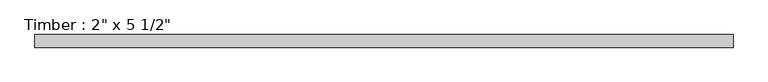
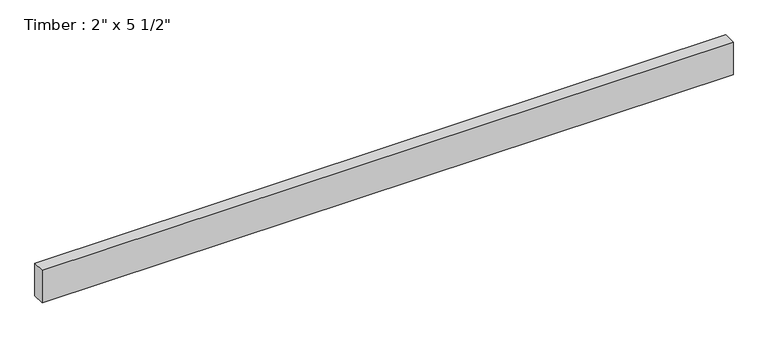
"""IFC4 building model written with IfcOpenShell, lengths in millimetres: beam geometry."""

import ifcopenshell
import ifcopenshell.guid

model = None  # the IFC model being written
_history = None  # IfcOwnerHistory: only IFC2X3 demands one
_inside = {}  # id of a spatial element -> (the spatial element, [elements in it])
_under = {}  # id of a project, library or spatial element -> (it, [spatial elements below it])
_declared = {}  # id of a project -> (the project, [libraries it declares])
_typed = {}  # id of a type object -> (the type object, [elements of that type])
_made_of = {}  # id of a material, layer set ... -> (it, [elements and type objects made of it])


def new_model(schema):
    """Start an empty IFC model of exactly this schema.

    Asked for "IFC4X3", IfcOpenShell would pick the latest addendum, in which some entities
    have other attributes; the version numbers below select the first issue.
    IFC2X3 requires an IfcOwnerHistory on every rooted entity: one is made here for all.
    """
    global model, _history
    if schema == "IFC4X3":
        model = ifcopenshell.file(schema_version=(4, 3, 0, 0))
    else:
        model = ifcopenshell.file(schema=schema)
    _inside.clear()
    _under.clear()
    _declared.clear()
    _typed.clear()
    _made_of.clear()
    _history = None
    if model.schema == "IFC2X3":
        org = make("IfcOrganization", Name="unknown")
        user = make(
            "IfcPersonAndOrganization",
            ThePerson=make("IfcPerson", FamilyName="unknown"),
            TheOrganization=org,
        )
        app = make(
            "IfcApplication",
            ApplicationDeveloper=org,
            Version="unknown",
            ApplicationFullName="unknown",
            ApplicationIdentifier="unknown",
        )
        _history = make(
            "IfcOwnerHistory",
            OwningUser=user,
            OwningApplication=app,
            ChangeAction="ADDED",
            CreationDate=0,
        )
    return model


def make(cls, **values):
    """One entity of the class cls with the attributes given. An attribute that is None is left unset."""
    return model.create_entity(
        cls, **{name: value for name, value in values.items() if value is not None}
    )


def rooted(cls, **values):
    """An entity with a GlobalId (a new one), such as an element, a storey or a relation."""
    return make(cls, GlobalId=ifcopenshell.guid.new(), OwnerHistory=_history, **values)


def si_unit(unit_type, name, prefix=None):
    """IfcSIUnit, for example si_unit("LENGTHUNIT", "METRE", prefix="MILLI")."""
    return make("IfcSIUnit", UnitType=unit_type, Prefix=prefix, Name=name)


def assignment(units):
    """IfcUnitAssignment: the units of a project."""
    return None if units is None else make("IfcUnitAssignment", Units=units)


def point(xyz):
    """IfcCartesianPoint."""
    return None if xyz is None else make("IfcCartesianPoint", Coordinates=xyz)


def direction(xyz):
    """IfcDirection."""
    return None if xyz is None else make("IfcDirection", DirectionRatios=xyz)


def frame(location, z_axis=None, x_axis=None):
    """IfcAxis2Placement3D, a coordinate frame: its origin and axes. An axis left out is left unset."""
    return make(
        "IfcAxis2Placement3D",
        Location=point(location),
        Axis=direction(z_axis),
        RefDirection=direction(x_axis),
    )


def origin():
    """The frame at (0, 0, 0) with its axes left unset."""
    return frame((0.0, 0.0, 0.0))


def place(relative_to, where):
    """IfcLocalPlacement: puts the frame where relative to a parent placement (None: the world)."""
    return make(
        "IfcLocalPlacement", PlacementRelTo=relative_to, RelativePlacement=where
    )


def context(
    kind, dimensions, precision=None, world=None, true_north=None, identifier=None
):
    """IfcGeometricRepresentationContext, for example the 3D "Model" context."""
    return make(
        "IfcGeometricRepresentationContext",
        ContextIdentifier=identifier,
        ContextType=kind,
        CoordinateSpaceDimension=dimensions,
        Precision=precision,
        WorldCoordinateSystem=world,
        TrueNorth=true_north,
    )


def project(units=None, contexts=None):
    """IfcProject with its units and contexts."""
    return rooted(
        "IfcProject",
        Name="project",
        RepresentationContexts=contexts,
        UnitsInContext=assignment(units),
    )


def spatial(cls, under=None, at=None, **own):
    """A site, building, storey or space (cls), placed at a placement, below another one or the project."""
    s = rooted(cls, ObjectPlacement=at, **own)
    if under is not None:
        _under.setdefault(under.id(), (under, []))[1].append(s)
    return s


def polyline(points):
    """IfcPolyline through the points."""
    return make("IfcPolyline", Points=[point(p) for p in points])


def outline(outer, holes=None, kind="AREA"):
    """IfcArbitraryClosedProfileDef: a profile drawn as a closed curve; with holes, ...WithVoids."""
    if holes is None:
        return make("IfcArbitraryClosedProfileDef", ProfileType=kind, OuterCurve=outer)
    return make(
        "IfcArbitraryProfileDefWithVoids",
        ProfileType=kind,
        OuterCurve=outer,
        InnerCurves=holes,
    )


def extrude(swept, where, along, depth):
    """IfcExtrudedAreaSolid: the profile swept, set in the frame where, extruded along a direction by depth."""
    return make(
        "IfcExtrudedAreaSolid",
        SweptArea=swept,
        Position=where,
        ExtrudedDirection=direction(along),
        Depth=depth,
    )


def shape(context_of_items, identifier, shape_type, items):
    """IfcShapeRepresentation: the items that make up one representation, for example the "Body"."""
    return make(
        "IfcShapeRepresentation",
        ContextOfItems=context_of_items,
        RepresentationIdentifier=identifier,
        RepresentationType=shape_type,
        Items=items,
    )


def source(mapping_origin, context_of_items, identifier, shape_type, items):
    """IfcRepresentationMap: a shape defined once, which mapped items show again and again."""
    return make(
        "IfcRepresentationMap",
        MappingOrigin=mapping_origin,
        MappedRepresentation=shape(context_of_items, identifier, shape_type, items),
    )


def transform(
    local_origin,
    x_axis=None,
    y_axis=None,
    z_axis=None,
    scale=None,
    scale2=None,
    scale3=None,
    uniform=True,
):
    """IfcCartesianTransformationOperator3D, or its non-uniform kind. x_axis, y_axis, z_axis: its Axis1, 2, 3."""
    if uniform:
        return make(
            "IfcCartesianTransformationOperator3D",
            Axis1=direction(x_axis),
            Axis2=direction(y_axis),
            LocalOrigin=point(local_origin),
            Scale=scale,
            Axis3=direction(z_axis),
        )
    return make(
        "IfcCartesianTransformationOperator3DnonUniform",
        Axis1=direction(x_axis),
        Axis2=direction(y_axis),
        LocalOrigin=point(local_origin),
        Scale=scale,
        Axis3=direction(z_axis),
        Scale2=scale2,
        Scale3=scale3,
    )


def mapped(mapping_source, mapping_target):
    """IfcMappedItem: shows the shape of a source again, moved by a transform."""
    return make(
        "IfcMappedItem", MappingSource=mapping_source, MappingTarget=mapping_target
    )


def made_of(thing, what):
    """Note that an element or type object is made of a material, layer set ...; save() writes the relation."""
    if what is not None:
        _made_of.setdefault(what.id(), (what, []))[1].append(thing)
    return thing


def element(
    cls,
    number,
    at=None,
    inside=None,
    cuts=None,
    type_object=None,
    material=None,
    context=None,
    identifier="Body",
    shape_type=None,
    held_by="IfcProductDefinitionShape",
    body=None,
    shapes=None,
    **own,
):
    """One element of the class cls, such as IfcWall. Its Tag is "e" and its number.

    at: its placement. inside: the storey or other place that contains it. cuts: it is an
    opening in that element (IfcRelVoidsElement). A single representation is given by context,
    identifier, shape_type and body (its items); several are given by shapes. held_by: the class
    of the entity that holds the representations. save() writes the other relations.
    """
    e = rooted(cls, Tag="e%d" % number, ObjectPlacement=at, **own)
    if body is not None:
        shapes = [shape(context, identifier, shape_type, body)]
    if shapes is not None:
        e.Representation = make(held_by, Representations=shapes)
    if inside is not None:
        _inside.setdefault(inside.id(), (inside, []))[1].append(e)
    if cuts is not None:
        rooted(
            "IfcRelVoidsElement", RelatingBuildingElement=cuts, RelatedOpeningElement=e
        )
    if type_object is not None:
        _typed.setdefault(type_object.id(), (type_object, []))[1].append(e)
    return made_of(e, material)


def aggregate(whole, parts):
    """IfcRelAggregates: a whole, such as a stair, and the parts it consists of."""
    return rooted("IfcRelAggregates", RelatingObject=whole, RelatedObjects=parts)


def save(model, path):
    """Write the relations noted so far, then the file.

    IfcRelAggregates (storeys below a building ...), IfcRelContainedInSpatialStructure (elements
    in a storey), IfcRelDefinesByType, IfcRelAssociatesMaterial and IfcRelDeclares: one each for
    every whole, place, type object, material and project.
    """
    for whole, parts in _under.values():
        aggregate(whole, parts)
    for where, things in _inside.values():
        rooted(
            "IfcRelContainedInSpatialStructure",
            RelatedElements=things,
            RelatingStructure=where,
        )
    for kind, things in _typed.values():
        rooted("IfcRelDefinesByType", RelatedObjects=things, RelatingType=kind)
    for what, things in _made_of.values():
        rooted("IfcRelAssociatesMaterial", RelatedObjects=things, RelatingMaterial=what)
    for by, libraries in _declared.values():
        rooted("IfcRelDeclares", RelatingContext=by, RelatedDefinitions=libraries)
    model.write(path)


def beam_b7577aa1(model_context):
    return source(origin(), model_context, "Body", "SweptSolid", [
        extrude(outline(polyline([(1406.235857, 25.4), (1406.235857, -25.4), (-1406.235857, -25.4), (-1406.235857, 25.4), (1406.235857, 25.4)])), frame((0.0, 0.0, -69.85), z_axis=(0.0, 0.0, 1.0), x_axis=(1.0, 0.0, 0.0)), (0.0, 0.0, 1.0), 139.7),
    ])


if __name__ == "__main__":
    model = new_model("IFC4")
    model_context = context("Model", 3, world=origin())
    ifc_project = project(units=[si_unit("LENGTHUNIT", "METRE", prefix="MILLI")], contexts=[model_context])
    site = spatial("IfcSite", under=ifc_project)
    building = spatial("IfcBuilding", under=site)
    placement = place(None, origin())
    beam_shape = beam_b7577aa1(model_context)
    element("IfcBeam", 1, ObjectType="Timber : 2\" x 5 1/2\"", at=placement, inside=building, context=model_context, shape_type="MappedRepresentation", body=[
        mapped(beam_shape, transform((0.0, 0.0, 0.0), x_axis=(1.0, 0.0, 0.0), y_axis=(0.0, 1.0, 0.0), z_axis=(0.0, 0.0, 1.0))),
    ])
    save(model, "model.ifc")
